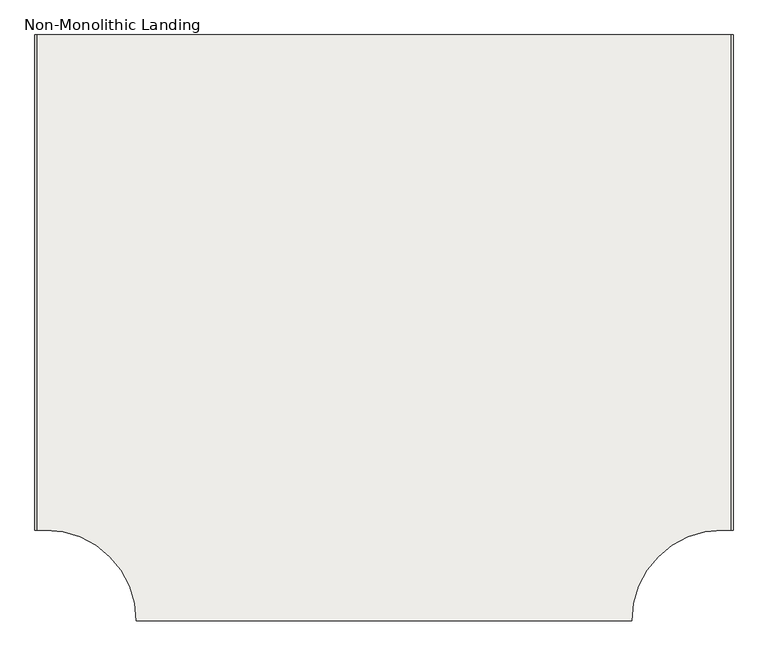
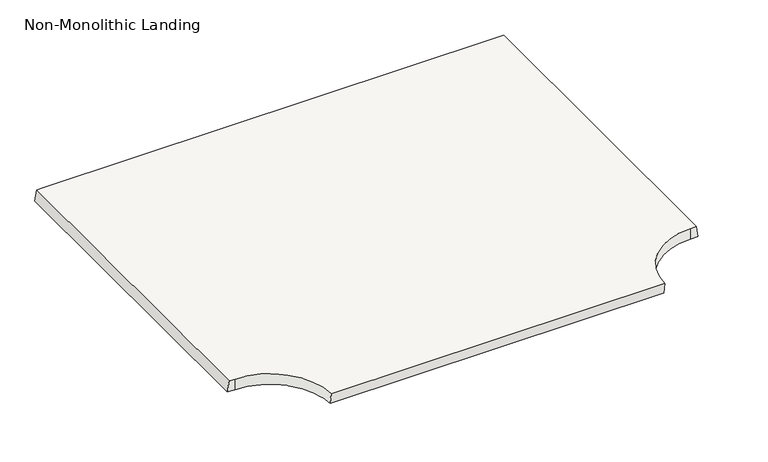
"""IFC4 building model written with IfcOpenShell, lengths in millimetres: slab geometry, Non-Monolithic Landing."""

from ifc_helpers import new_model, si_unit, frame, origin, place, context, project, spatial, polyline, circle_curve, ellipse_curve, source, transform, mapped, element, save
from ifc_brep_helpers import plane_surface, revolved_surface, advanced_brep


def non_monolithic_landing_dc2cbf3f(model_context):
    return source(origin(), model_context, "Body", "AdvancedBrep", [
        advanced_brep(
        [(-6374.6089981, -960.0363971, 3333.3333333), (-6099.6089981, -685.0363971, 3333.3333333), (-6074.6089981, -685.0363971, 3333.3333333), (-6074.6089981, 814.9636029, 3333.3333333), (-6099.6089981, 814.9636029, 3333.3333333), (-8149.6089981, 814.9636029, 3333.3333333), (-8174.6089981, 814.9636029, 3333.3333333), (-8174.6089981, -685.0363971, 3333.3333333), (-8149.6089981, -685.0363971, 3333.3333333), (-7874.6089981, -960.0363971, 3333.3333333), (-8149.6089981, 814.9636029, 3283.3333333), (-6099.6089981, 814.9636029, 3283.3333333), (-6067.1089981, 814.9636029, 3283.3333333), (-6067.1089981, -685.0363971, 3283.3333333), (-6099.6089981, -685.0363971, 3283.3333333), (-6374.5067063, -952.5363971, 3283.3333333), (-7874.7112898, -952.5363971, 3283.3333333), (-8149.6089981, -685.0363971, 3283.3333333), (-8182.1089981, -685.0363971, 3283.3333333), (-8182.1089981, 814.9636029, 3283.3333333)],
        [
            (0, 1, circle_curve(frame((-6099.6089981, -960.0363971, 3333.3333333), z_axis=(0.0, 0.0, -1.0), x_axis=(1.0, 0.0, 0.0)), 275.0)),
            (1, 2),
            (2, 3),
            (3, 4),
            (4, 5),
            (5, 6),
            (6, 7),
            (7, 8),
            (8, 9, circle_curve(frame((-8149.6089981, -960.0363971, 3333.3333333), z_axis=(0.0, 0.0, -1.0), x_axis=(1.0, 0.0, 0.0)), 275.0)),
            (9, 0),
            (10, 11),
            (11, 12),
            (12, 13),
            (13, 14),
            (14, 15, circle_curve(frame((-6099.6089981, -960.0363971, 3283.3333333), z_axis=(0.0, 0.0, 1.0), x_axis=(1.0, 0.0, 0.0)), 275.0)),
            (15, 16),
            (16, 17, circle_curve(frame((-8149.6089981, -960.0363971, 3283.3333333), z_axis=(0.0, 0.0, 1.0), x_axis=(1.0, 0.0, 0.0)), 275.0)),
            (17, 18),
            (18, 19),
            (19, 10),
            (1, 14),
            (13, 2),
            (3, 12),
            (11, 4),
            (5, 10),
            (19, 6),
            (18, 7),
            (9, 16, ellipse_curve(frame((-8149.6089981, -960.0363971, 3333.3333333), z_axis=(0.0, 0.9889363528682975, 0.14834045293024464), x_axis=(0.0, 0.14834045293024467, -0.9889363528682976)), 1853.8436048, 275.0)),
            (15, 0, ellipse_curve(frame((-6099.6089981, -960.0363971, 3333.3333333), z_axis=(0.0, 0.9889363528682975, 0.14834045293024464), x_axis=(0.0, 0.14834045293024467, -0.9889363528682976)), 1853.8436048, 275.0)),
            (17, 8),
        ],
        [
            plane_surface(frame((-6099.6089981, -960.0363971, 3333.3333333), z_axis=(0.0, 0.0, 1.0), x_axis=(1.0, 0.0, 0.0))),
            plane_surface(frame((-6099.6089981, -960.0363971, 3283.3333333), z_axis=(0.0, 0.0, -1.0), x_axis=(-1.0, 0.0, 0.0))),
            plane_surface(frame((-6099.6089981, -685.0363971, 3333.3333333), z_axis=(0.0, -1.0, 0.0), x_axis=(0.0, 0.0, -1.0))),
            plane_surface(frame((-6074.6089981, 814.9636029, 3333.3333333), z_axis=(0.0, 1.0, 0.0), x_axis=(0.0, 0.0, -1.0))),
            plane_surface(frame((-8149.6089981, 814.9636029, 3333.3333333), z_axis=(0.0, 1.0, 0.0), x_axis=(0.0, 0.0, -1.0))),
            plane_surface(frame((-6067.1089981, -685.0363971, 3283.3333333), z_axis=(0.9889363528682975, 0.0, 0.14834045293024464), x_axis=(0.0, 1.0, 0.0))),
            plane_surface(frame((-6099.6089981, 814.9636029, 3333.3333333), z_axis=(0.0, 1.0, 0.0), x_axis=(0.0, 0.0, -1.0))),
            plane_surface(frame((-8182.1089981, 814.9636029, 3283.3333333), z_axis=(-0.9889363528682975, 0.0, 0.14834045293024464), x_axis=(0.0, -1.0, 0.0))),
            plane_surface(frame((-6374.5067063, -952.5363971, 3283.3333333), z_axis=(0.0, -0.9889363528682975, -0.14834045293024464), x_axis=(-1.0, 0.0, 0.0))),
            revolved_surface(polyline([(-5824.6089981, -960.0363971, 1499.9999999808704), (-5824.6089981, -960.0363971, 5166.6666666191295)]), (-6099.6089981, -960.0363971, 3283.3333333), (0.0, 0.0, -1.0)),
            plane_surface(frame((-8174.6089981, -685.0363971, 3333.3333333), z_axis=(0.0, -1.0, 0.0), x_axis=(0.0, 0.0, -1.0))),
            revolved_surface(polyline([(-7874.6089981, -960.0363971, 1499.9999999808704), (-7874.6089981, -960.0363971, 5166.6666666191295)]), (-8149.6089981, -960.0363971, 3283.3333333), (0.0, 0.0, -1.0)),
        ],
        [
            (0, [[1, 2, 3, 4, 5, 6, 7, 8, 9, 10]]),
            (1, [[11, 12, 13, 14, 15, 16, 17, 18, 19, 20]]),
            (2, [[-2, 21, -14, 22]]),
            (3, [[-4, 23, -12, 24]]),
            (4, [[-6, 25, -20, 26]]),
            (5, [[-22, -13, -23, -3]]),
            (6, [[-5, -24, -11, -25]]),
            (7, [[-26, -19, 27, -7]]),
            (8, [[-10, 28, -16, 29]]),
            (9, [[-1, -29, -15, -21]]),
            (10, [[-8, -27, -18, 30]]),
            (11, [[-9, -30, -17, -28]]),
        ],
    ),
    ])


if __name__ == "__main__":
    model = new_model("IFC4")
    model_context = context("Model", 3, world=origin())
    ifc_project = project(units=[si_unit("LENGTHUNIT", "METRE", prefix="MILLI")], contexts=[model_context])
    site = spatial("IfcSite", under=ifc_project)
    building = spatial("IfcBuilding", under=site)
    placement = place(None, origin())
    non_monolithic_landing_shape = non_monolithic_landing_dc2cbf3f(model_context)
    element("IfcSlab", 1, ObjectType="Non-Monolithic Landing", at=placement, inside=building, context=model_context, shape_type="MappedRepresentation", body=[
        mapped(non_monolithic_landing_shape, transform((0.0, 0.0, 0.0), x_axis=(1.0, 0.0, 0.0), y_axis=(0.0, 1.0, 0.0), z_axis=(0.0, 0.0, 1.0))),
    ])
    save(model, "model.ifc")
